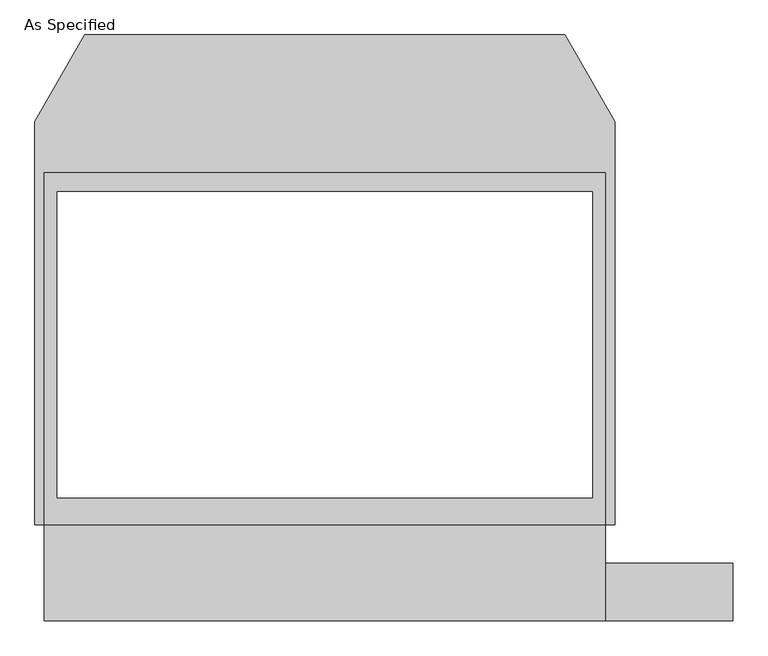
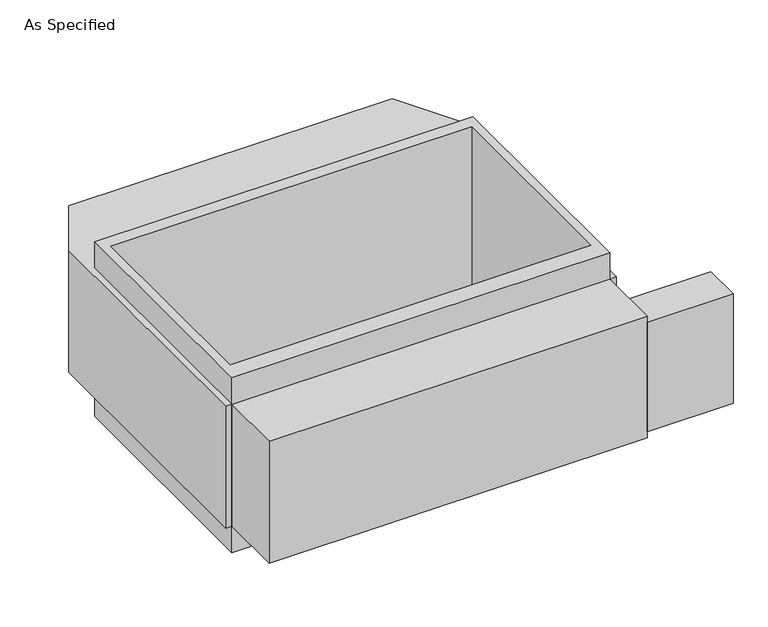
"""IFC4 building model written with IfcOpenShell, lengths in millimetres: proxy geometry, As Specified."""

from ifc_helpers import new_model, si_unit, frame, origin, place, context, project, spatial, polyline, outline, extrude, source, transform, mapped, element, save


def as_specified_56a9df61(model_context):
    return source(origin(), model_context, "Body", "SweptSolid", [
        extrude(outline(polyline([(1117.6, -1166.5148438), (1117.6, -937.9148438), (1625.6, -937.9148438), (1625.6, -1166.5148438), (1117.6, -1166.5148438)])), frame((0.0, 0.0, -749.3), z_axis=(0.0, 0.0, 1.0), x_axis=(1.0, 0.0, 0.0)), (0.0, 0.0, 1.0), 685.8),
        extrude(outline(polyline([(1117.6, 617.8351562), (1117.6, -785.5148438), (-1117.6, -785.5148438), (-1117.6, 617.8351562), (1117.6, 617.8351562)]), holes=[polyline([(-1066.8, 541.6748437), (-1066.8, -677.5251563), (1066.8, -677.5251563), (1066.8, 541.6748437), (-1066.8, 541.6748437)])]), frame((0.0, 0.0, -952.5), z_axis=(0.0, 0.0, 1.0), x_axis=(1.0, 0.0, 0.0)), (0.0, 0.0, 1.0), 1092.2),
        extrude(outline(polyline([(1117.6, -1166.5148438), (-1117.6, -1166.5148438), (-1117.6, -785.5148438), (-1155.7, -785.5148438), (-1155.7, 821.0748437), (-956.260123, 1166.5148437), (956.260123, 1166.5148437), (1155.7, 821.0748437), (1155.7, -785.5148438), (1117.6, -785.5148438), (1117.6, -1166.5148438)]), holes=[polyline([(1066.8, -677.5251563), (1066.8, 541.6748437), (-1066.8, 541.6748437), (-1066.8, -677.5251563), (1066.8, -677.5251563)])]), frame((0.0, 0.0, -787.4), z_axis=(0.0, 0.0, 1.0), x_axis=(1.0, 0.0, 0.0)), (0.0, 0.0, 1.0), 762.0),
    ])


if __name__ == "__main__":
    model = new_model("IFC4")
    model_context = context("Model", 3, world=origin())
    ifc_project = project(units=[si_unit("LENGTHUNIT", "METRE", prefix="MILLI")], contexts=[model_context])
    site = spatial("IfcSite", under=ifc_project)
    building = spatial("IfcBuilding", under=site)
    placement = place(None, origin())
    as_specified_shape = as_specified_56a9df61(model_context)
    element("IfcBuildingElementProxy", 1, Name="As Specified", ObjectType="As Specified", at=placement, inside=building, context=model_context, shape_type="MappedRepresentation", body=[
        mapped(as_specified_shape, transform((0.0, 0.0, 0.0), x_axis=(1.0, 0.0, 0.0), y_axis=(0.0, 1.0, 0.0), z_axis=(0.0, 0.0, 1.0))),
    ])
    save(model, "model.ifc")
